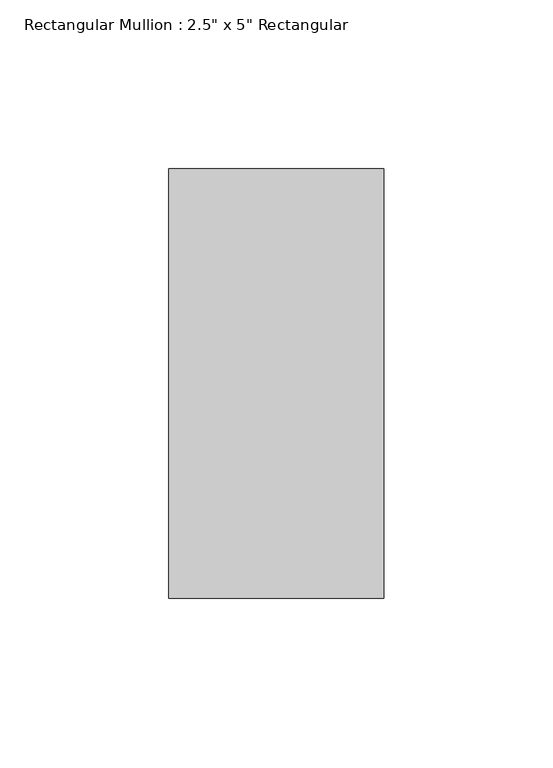
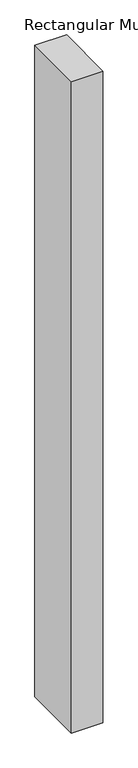
"""IFC4 building model written with IfcOpenShell, lengths in millimetres: member geometry."""

from ifc_helpers import new_model, si_unit, frame, origin, place, context, project, spatial, polyline, outline, extrude, source, transform, mapped, element, save


def member_f7ba7797(model_context):
    return source(origin(), model_context, "Body", "SweptSolid", [
        extrude(outline(polyline([(31.75, 63.5), (31.75, -63.5), (-31.75, -63.5), (-31.75, 63.5), (31.75, 63.5)])), frame((0.0, 0.0, -1384.3), z_axis=(0.0, 0.0, 1.0), x_axis=(1.0, 0.0, 0.0)), (0.0, 0.0, 1.0), 1384.3),
    ])


if __name__ == "__main__":
    model = new_model("IFC4")
    model_context = context("Model", 3, world=origin())
    ifc_project = project(units=[si_unit("LENGTHUNIT", "METRE", prefix="MILLI")], contexts=[model_context])
    site = spatial("IfcSite", under=ifc_project)
    building = spatial("IfcBuilding", under=site)
    placement = place(None, origin())
    member_shape = member_f7ba7797(model_context)
    element("IfcMember", 1, ObjectType="Rectangular Mullion : 2.5\" x 5\" Rectangular", at=placement, inside=building, context=model_context, shape_type="MappedRepresentation", body=[
        mapped(member_shape, transform((0.0, 0.0, 0.0), x_axis=(1.0, 0.0, 0.0), y_axis=(0.0, 1.0, 0.0), z_axis=(0.0, 0.0, 1.0))),
    ])
    save(model, "model.ifc")
